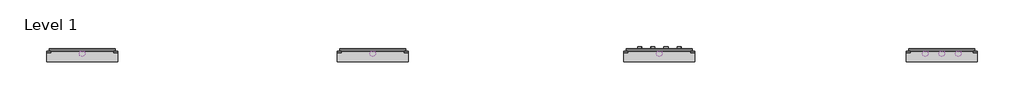
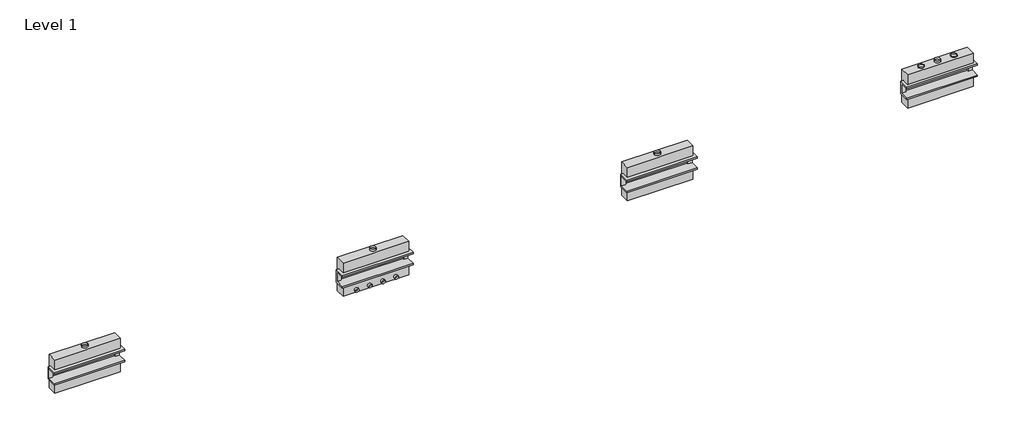
# One storey: 22 proxies.
"""IFC4 building model written with IfcOpenShell, lengths in millimetres."""

import ifcopenshell
import ifcopenshell.guid

model = None  # the IFC model being written
_history = None  # IfcOwnerHistory: only IFC2X3 demands one
_inside = {}  # id of a spatial element -> (the spatial element, [elements in it])
_under = {}  # id of a project, library or spatial element -> (it, [spatial elements below it])
_declared = {}  # id of a project -> (the project, [libraries it declares])
_typed = {}  # id of a type object -> (the type object, [elements of that type])
_made_of = {}  # id of a material, layer set ... -> (it, [elements and type objects made of it])


def new_model(schema):
    """Start an empty IFC model of exactly this schema.

    Asked for "IFC4X3", IfcOpenShell would pick the latest addendum, in which some entities
    have other attributes; the version numbers below select the first issue.
    IFC2X3 requires an IfcOwnerHistory on every rooted entity: one is made here for all.
    """
    global model, _history
    if schema == "IFC4X3":
        model = ifcopenshell.file(schema_version=(4, 3, 0, 0))
    else:
        model = ifcopenshell.file(schema=schema)
    _inside.clear()
    _under.clear()
    _declared.clear()
    _typed.clear()
    _made_of.clear()
    _history = None
    if model.schema == "IFC2X3":
        org = make("IfcOrganization", Name="unknown")
        user = make(
            "IfcPersonAndOrganization",
            ThePerson=make("IfcPerson", FamilyName="unknown"),
            TheOrganization=org,
        )
        app = make(
            "IfcApplication",
            ApplicationDeveloper=org,
            Version="unknown",
            ApplicationFullName="unknown",
            ApplicationIdentifier="unknown",
        )
        _history = make(
            "IfcOwnerHistory",
            OwningUser=user,
            OwningApplication=app,
            ChangeAction="ADDED",
            CreationDate=0,
        )
    return model


def make(cls, **values):
    """One entity of the class cls with the attributes given. An attribute that is None is left unset."""
    return model.create_entity(
        cls, **{name: value for name, value in values.items() if value is not None}
    )


def rooted(cls, **values):
    """An entity with a GlobalId (a new one), such as an element, a storey or a relation."""
    return make(cls, GlobalId=ifcopenshell.guid.new(), OwnerHistory=_history, **values)


def si_unit(unit_type, name, prefix=None):
    """IfcSIUnit, for example si_unit("LENGTHUNIT", "METRE", prefix="MILLI")."""
    return make("IfcSIUnit", UnitType=unit_type, Prefix=prefix, Name=name)


def assignment(units):
    """IfcUnitAssignment: the units of a project."""
    return None if units is None else make("IfcUnitAssignment", Units=units)


def point(xyz):
    """IfcCartesianPoint."""
    return None if xyz is None else make("IfcCartesianPoint", Coordinates=xyz)


def direction(xyz):
    """IfcDirection."""
    return None if xyz is None else make("IfcDirection", DirectionRatios=xyz)


def frame(location, z_axis=None, x_axis=None):
    """IfcAxis2Placement3D, a coordinate frame: its origin and axes. An axis left out is left unset."""
    return make(
        "IfcAxis2Placement3D",
        Location=point(location),
        Axis=direction(z_axis),
        RefDirection=direction(x_axis),
    )


def frame_2d(location, x_axis=None):
    """IfcAxis2Placement2D, a coordinate frame in the plane: its origin and x axis."""
    return make(
        "IfcAxis2Placement2D", Location=point(location), RefDirection=direction(x_axis)
    )


def origin():
    """The frame at (0, 0, 0) with its axes left unset."""
    return frame((0.0, 0.0, 0.0))


def origin_with_axes():
    """The frame at (0, 0, 0) with the z axis (0, 0, 1) and the x axis (1, 0, 0) written out."""
    return frame((0.0, 0.0, 0.0), z_axis=(0.0, 0.0, 1.0), x_axis=(1.0, 0.0, 0.0))


def origin_2d():
    """The frame at (0, 0) in the plane with its x axis left unset."""
    return frame_2d((0.0, 0.0))


def place(relative_to, where):
    """IfcLocalPlacement: puts the frame where relative to a parent placement (None: the world)."""
    return make(
        "IfcLocalPlacement", PlacementRelTo=relative_to, RelativePlacement=where
    )


def context(
    kind, dimensions, precision=None, world=None, true_north=None, identifier=None
):
    """IfcGeometricRepresentationContext, for example the 3D "Model" context."""
    return make(
        "IfcGeometricRepresentationContext",
        ContextIdentifier=identifier,
        ContextType=kind,
        CoordinateSpaceDimension=dimensions,
        Precision=precision,
        WorldCoordinateSystem=world,
        TrueNorth=true_north,
    )


def project(units=None, contexts=None):
    """IfcProject with its units and contexts."""
    return rooted(
        "IfcProject",
        Name="project",
        RepresentationContexts=contexts,
        UnitsInContext=assignment(units),
    )


def spatial(cls, under=None, at=None, **own):
    """A site, building, storey or space (cls), placed at a placement, below another one or the project."""
    s = rooted(cls, ObjectPlacement=at, **own)
    if under is not None:
        _under.setdefault(under.id(), (under, []))[1].append(s)
    return s


def polyline(points):
    """IfcPolyline through the points."""
    return make("IfcPolyline", Points=[point(p) for p in points])


def circle_curve(where, radius):
    """IfcCircle in the frame where."""
    return make("IfcCircle", Position=where, Radius=radius)


def trimmed(basis, trim1, trim2, sense, master):
    """IfcTrimmedCurve: the piece of a basis curve between two trims."""
    return make(
        "IfcTrimmedCurve",
        BasisCurve=basis,
        Trim1=trim1,
        Trim2=trim2,
        SenseAgreement=sense,
        MasterRepresentation=master,
    )


def segment(curve, same_sense, transition):
    """IfcCompositeCurveSegment."""
    return make(
        "IfcCompositeCurveSegment",
        Transition=transition,
        SameSense=same_sense,
        ParentCurve=curve,
    )


def composite_curve(segments, self_intersect=None):
    """IfcCompositeCurve: segments joined end to end."""
    return make("IfcCompositeCurve", Segments=segments, SelfIntersect=self_intersect)


def outline(outer, holes=None, kind="AREA"):
    """IfcArbitraryClosedProfileDef: a profile drawn as a closed curve; with holes, ...WithVoids."""
    if holes is None:
        return make("IfcArbitraryClosedProfileDef", ProfileType=kind, OuterCurve=outer)
    return make(
        "IfcArbitraryProfileDefWithVoids",
        ProfileType=kind,
        OuterCurve=outer,
        InnerCurves=holes,
    )


def extrude(swept, where, along, depth):
    """IfcExtrudedAreaSolid: the profile swept, set in the frame where, extruded along a direction by depth."""
    return make(
        "IfcExtrudedAreaSolid",
        SweptArea=swept,
        Position=where,
        ExtrudedDirection=direction(along),
        Depth=depth,
    )


def faces_of(points, faces, orient=None, outer=None):
    """IfcFace entities. A face is a list of loops; a loop is a list of indices into points, from 0.

    orient and outer hold one flag for each loop. By default every Orientation is true, the
    first loop of a face is its IfcFaceOuterBound and the others are IfcFaceBound.
    """
    made = []
    for i, loops in enumerate(faces):
        bounds = []
        for j, loop in enumerate(loops):
            is_outer = j == 0 if outer is None else outer[i][j]
            bounds.append(
                make(
                    "IfcFaceOuterBound" if is_outer else "IfcFaceBound",
                    Bound=make("IfcPolyLoop", Polygon=[points[k] for k in loop]),
                    Orientation=True if orient is None else orient[i][j],
                )
            )
        made.append(make("IfcFace", Bounds=bounds))
    return made


def faceted_brep(points, faces, orient=None, outer=None, voids=None):
    """IfcFacetedBrep: a solid bounded by flat faces; with voids (closed shells), ...WithVoids."""
    shared = [point(p) for p in points]
    hull = make("IfcClosedShell", CfsFaces=faces_of(shared, faces, orient, outer))
    if voids is None:
        return make("IfcFacetedBrep", Outer=hull)
    return make(
        "IfcFacetedBrepWithVoids",
        Outer=hull,
        Voids=[
            make(cls, CfsFaces=faces_of(shared, fs, o, b)) for cls, fs, o, b in voids
        ],
    )


def shape(context_of_items, identifier, shape_type, items):
    """IfcShapeRepresentation: the items that make up one representation, for example the "Body"."""
    return make(
        "IfcShapeRepresentation",
        ContextOfItems=context_of_items,
        RepresentationIdentifier=identifier,
        RepresentationType=shape_type,
        Items=items,
    )


def source(mapping_origin, context_of_items, identifier, shape_type, items):
    """IfcRepresentationMap: a shape defined once, which mapped items show again and again."""
    return make(
        "IfcRepresentationMap",
        MappingOrigin=mapping_origin,
        MappedRepresentation=shape(context_of_items, identifier, shape_type, items),
    )


def transform(
    local_origin,
    x_axis=None,
    y_axis=None,
    z_axis=None,
    scale=None,
    scale2=None,
    scale3=None,
    uniform=True,
):
    """IfcCartesianTransformationOperator3D, or its non-uniform kind. x_axis, y_axis, z_axis: its Axis1, 2, 3."""
    if uniform:
        return make(
            "IfcCartesianTransformationOperator3D",
            Axis1=direction(x_axis),
            Axis2=direction(y_axis),
            LocalOrigin=point(local_origin),
            Scale=scale,
            Axis3=direction(z_axis),
        )
    return make(
        "IfcCartesianTransformationOperator3DnonUniform",
        Axis1=direction(x_axis),
        Axis2=direction(y_axis),
        LocalOrigin=point(local_origin),
        Scale=scale,
        Axis3=direction(z_axis),
        Scale2=scale2,
        Scale3=scale3,
    )


def mapped(mapping_source, mapping_target):
    """IfcMappedItem: shows the shape of a source again, moved by a transform."""
    return make(
        "IfcMappedItem", MappingSource=mapping_source, MappingTarget=mapping_target
    )


def made_of(thing, what):
    """Note that an element or type object is made of a material, layer set ...; save() writes the relation."""
    if what is not None:
        _made_of.setdefault(what.id(), (what, []))[1].append(thing)
    return thing


def element(
    cls,
    number,
    at=None,
    inside=None,
    cuts=None,
    type_object=None,
    material=None,
    context=None,
    identifier="Body",
    shape_type=None,
    held_by="IfcProductDefinitionShape",
    body=None,
    shapes=None,
    **own,
):
    """One element of the class cls, such as IfcWall. Its Tag is "e" and its number.

    at: its placement. inside: the storey or other place that contains it. cuts: it is an
    opening in that element (IfcRelVoidsElement). A single representation is given by context,
    identifier, shape_type and body (its items); several are given by shapes. held_by: the class
    of the entity that holds the representations. save() writes the other relations.
    """
    e = rooted(cls, Tag="e%d" % number, ObjectPlacement=at, **own)
    if body is not None:
        shapes = [shape(context, identifier, shape_type, body)]
    if shapes is not None:
        e.Representation = make(held_by, Representations=shapes)
    if inside is not None:
        _inside.setdefault(inside.id(), (inside, []))[1].append(e)
    if cuts is not None:
        rooted(
            "IfcRelVoidsElement", RelatingBuildingElement=cuts, RelatedOpeningElement=e
        )
    if type_object is not None:
        _typed.setdefault(type_object.id(), (type_object, []))[1].append(e)
    return made_of(e, material)


def aggregate(whole, parts):
    """IfcRelAggregates: a whole, such as a stair, and the parts it consists of."""
    return rooted("IfcRelAggregates", RelatingObject=whole, RelatedObjects=parts)


def save(model, path):
    """Write the relations noted so far, then the file.

    IfcRelAggregates (storeys below a building ...), IfcRelContainedInSpatialStructure (elements
    in a storey), IfcRelDefinesByType, IfcRelAssociatesMaterial and IfcRelDeclares: one each for
    every whole, place, type object, material and project.
    """
    for whole, parts in _under.values():
        aggregate(whole, parts)
    for where, things in _inside.values():
        rooted(
            "IfcRelContainedInSpatialStructure",
            RelatedElements=things,
            RelatingStructure=where,
        )
    for kind, things in _typed.values():
        rooted("IfcRelDefinesByType", RelatedObjects=things, RelatingType=kind)
    for what, things in _made_of.values():
        rooted("IfcRelAssociatesMaterial", RelatedObjects=things, RelatingMaterial=what)
    for by, libraries in _declared.values():
        rooted("IfcRelDeclares", RelatingContext=by, RelatedDefinitions=libraries)
    model.write(path)


def as_specified_cabdd04f(model_context):
    return source(origin(), model_context, "Body", "SolidModel", [
        faceted_brep([(-1765.3, 285.75, 139.7), (-1765.3, 361.95, 139.7), (-1765.3, 361.95, -393.7), (-1765.3, -298.45, -393.7), (-1765.3, -298.45, 139.7), (-1765.3, -222.25, 139.7), (-1765.3, -222.25, -317.5), (-1765.3, 285.75, -317.5), (1765.3, 285.75, 139.7), (1765.3, 285.75, -317.5), (1765.3, -222.25, -317.5), (1765.3, -222.25, 139.7), (1765.3, -298.45, 139.7), (1765.3, -298.45, -393.7), (1765.3, 361.95, -393.7), (1765.3, 361.95, 139.7), (1562.1, -222.25, -393.7), (1562.1, 285.75, -393.7), (-1562.1, 285.75, -393.7), (-1562.1, -222.25, -393.7), (1562.1, -222.25, -317.5), (-1562.1, -222.25, -317.5), (-1562.1, 285.75, -317.5), (1562.1, 285.75, -317.5)], [[[0, 1, 2, 3, 4, 5, 6, 7]], [[8, 9, 10, 11, 12, 13, 14, 15]], [[1, 0, 8, 15]], [[2, 1, 15, 14]], [[3, 2, 14, 13], [16, 17, 18, 19]], [[4, 3, 13, 12]], [[5, 4, 12, 11]], [[6, 5, 11, 10, 20, 16, 19, 21]], [[7, 6, 21, 22]], [[10, 9, 23, 20]], [[0, 7, 22, 18, 17, 23, 9, 8]], [[16, 20, 23, 17]], [[21, 19, 18, 22]]]),
        extrude(outline(polyline([(882.65, -25.4), (882.65, -523.9742188), (-882.65, -523.9742188), (-882.65, -25.4), (-298.45, -25.4), (-298.45, -393.7), (361.95, -393.7), (361.95, -25.4), (882.65, -25.4)])), frame((-1638.3, 0.0, 0.0), z_axis=(1.0, 0.0, 0.0), x_axis=(0.0, 1.0, 0.0)), (0.0, 0.0, 1.0), 3276.6),
    ])


def duct_dia_864372f9(model_context):
    return source(origin(), model_context, "Body", "SweptSolid", [
        extrude(outline(composite_curve([segment(trimmed(circle_curve(origin_2d(), 150.8621094), [point((-150.8621094, 0.0))], [point((150.8621094, 0.0))], False, "CARTESIAN"), True, "CONTINUOUS"), segment(trimmed(circle_curve(origin_2d(), 150.8621094), [point((150.8621094, 0.0))], [point((-150.8621094, 0.0))], False, "CARTESIAN"), True, "CONTINUOUS")], self_intersect=False), holes=[composite_curve([segment(trimmed(circle_curve(origin_2d(), 149.2746094), [point((-149.2746094, 0.0))], [point((149.2746094, 0.0))], True, "CARTESIAN"), True, "CONTINUOUS"), segment(trimmed(circle_curve(origin_2d(), 149.2746094), [point((149.2746094, 0.0))], [point((-149.2746094, 0.0))], True, "CARTESIAN"), True, "CONTINUOUS")], self_intersect=False)]), origin_with_axes(), (0.0, 0.0, 1.0), 50.8),
    ])


def proxy_814ff0a6(model_context):
    return source(origin(), model_context, "Body", "SweptSolid", [
        extrude(outline(composite_curve([segment(trimmed(circle_curve(origin_2d(), 149.225), [point((-149.225, 0.0))], [point((149.225, 0.0))], False, "CARTESIAN"), True, "CONTINUOUS"), segment(trimmed(circle_curve(origin_2d(), 149.225), [point((149.225, 0.0))], [point((-149.225, 0.0))], False, "CARTESIAN"), True, "CONTINUOUS")], self_intersect=False), holes=[composite_curve([segment(trimmed(circle_curve(origin_2d(), 147.6375), [point((-147.6375, 0.0))], [point((147.6375, 0.0))], True, "CARTESIAN"), True, "CONTINUOUS"), segment(trimmed(circle_curve(origin_2d(), 147.6375), [point((147.6375, 0.0))], [point((-147.6375, 0.0))], True, "CARTESIAN"), True, "CONTINUOUS")], self_intersect=False)]), origin_with_axes(), (0.0, 0.0, 1.0), 101.6),
    ])


def proxy_5643af6b(model_context):
    return source(origin(), model_context, "Body", "SweptSolid", [
        extrude(outline(composite_curve([segment(trimmed(circle_curve(origin_2d(), 100.0125), [point((-100.0125, 0.0))], [point((100.0125, 0.0))], False, "CARTESIAN"), True, "CONTINUOUS"), segment(trimmed(circle_curve(origin_2d(), 100.0125), [point((100.0125, 0.0))], [point((-100.0125, 0.0))], False, "CARTESIAN"), True, "CONTINUOUS")], self_intersect=False), holes=[composite_curve([segment(trimmed(circle_curve(origin_2d(), 98.425), [point((-98.425, 0.0))], [point((98.425, 0.0))], True, "CARTESIAN"), True, "CONTINUOUS"), segment(trimmed(circle_curve(origin_2d(), 98.425), [point((98.425, 0.0))], [point((-98.425, 0.0))], True, "CARTESIAN"), True, "CONTINUOUS")], self_intersect=False)]), origin_with_axes(), (0.0, 0.0, 1.0), 101.6),
    ])


def proxy_c1ba4f62(model_context):
    return source(origin(), model_context, "Body", "SweptSolid", [
        extrude(outline(composite_curve([segment(trimmed(circle_curve(origin_2d(), 103.1875), [point((-103.1875, 0.0))], [point((103.1875, 0.0))], False, "CARTESIAN"), True, "CONTINUOUS"), segment(trimmed(circle_curve(origin_2d(), 103.1875), [point((103.1875, 0.0))], [point((-103.1875, 0.0))], False, "CARTESIAN"), True, "CONTINUOUS")], self_intersect=False), holes=[composite_curve([segment(trimmed(circle_curve(origin_2d(), 101.6), [point((-101.6, 0.0))], [point((101.6, 0.0))], True, "CARTESIAN"), True, "CONTINUOUS"), segment(trimmed(circle_curve(origin_2d(), 101.6), [point((101.6, 0.0))], [point((-101.6, 0.0))], True, "CARTESIAN"), True, "CONTINUOUS")], self_intersect=False)]), origin_with_axes(), (0.0, 0.0, 1.0), 6.35),
    ])


model = new_model("IFC4")

# Units and contexts
model_context = context("Model", 3, world=origin())
ifc_project = project(units=[si_unit("LENGTHUNIT", "METRE", prefix="MILLI")], contexts=[model_context])

# Site, building, storey
site = spatial("IfcSite", under=ifc_project)
building = spatial("IfcBuilding", under=site)
storey = spatial("IfcBuildingStorey", under=building, Name="Level 1", Elevation=0.0)

# Proxies
placement = place(None, origin())
as_specified_shape = as_specified_cabdd04f(model_context)
element("IfcBuildingElementProxy", 1, Name="As Specified", ObjectType="As Specified", at=placement, inside=storey, context=model_context, shape_type="MappedRepresentation", body=[
    mapped(as_specified_shape, transform((14791.2574402, 1616.7712992, 1219.2), x_axis=(1.0, 0.0, 0.0), y_axis=(0.0, 0.0, 1.0), z_axis=(0.0, -1.0, 0.0))),
])
element("IfcBuildingElementProxy", 2, Name="As Specified", ObjectType="As Specified", at=placement, inside=storey, context=model_context, shape_type="MappedRepresentation", body=[
    mapped(as_specified_shape, transform((28812.0574402, 1616.7712992, 1219.2), x_axis=(1.0, 0.0, 0.0), y_axis=(0.0, 0.0, 1.0), z_axis=(0.0, -1.0, 0.0))),
])
element("IfcBuildingElementProxy", 3, Name="As Specified", ObjectType="As Specified", at=placement, inside=storey, context=model_context, shape_type="MappedRepresentation", body=[
    mapped(as_specified_shape, transform((-13859.9425598, 1616.7712992, 1066.8), x_axis=(1.0, 0.0, 0.0), y_axis=(0.0, 0.0, 1.0), z_axis=(0.0, -1.0, 0.0))),
])
element("IfcBuildingElementProxy", 4, Name="As Specified", ObjectType="As Specified", at=placement, inside=storey, context=model_context, shape_type="MappedRepresentation", body=[
    mapped(as_specified_shape, transform((565.6597121, 1616.7712992, 1144.6311604), x_axis=(1.0, 0.0, 0.0), y_axis=(0.0, 0.0, 1.0), z_axis=(0.0, -1.0, 0.0))),
])
duct_dia_shape = duct_dia_864372f9(model_context)
element("IfcBuildingElementProxy", 5, Name="Duct Dia", ObjectType="Duct Dia", at=placement, inside=storey, context=model_context, shape_type="MappedRepresentation", body=[
    mapped(duct_dia_shape, transform((27992.9074402, 1891.4584086, 2101.85), x_axis=(1.0, 0.0, 0.0), y_axis=(0.0, 1.0, 0.0), z_axis=(0.0, 0.0, 1.0))),
])
element("IfcBuildingElementProxy", 6, Name="Duct Dia", ObjectType="Duct Dia", at=placement, inside=storey, context=model_context, shape_type="MappedRepresentation", body=[
    mapped(duct_dia_shape, transform((29631.2074402, 1891.4584086, 2101.85), x_axis=(1.0, 0.0, 0.0), y_axis=(0.0, 1.0, 0.0), z_axis=(0.0, 0.0, 1.0))),
])
proxy_shape = proxy_814ff0a6(model_context)
element("IfcBuildingElementProxy", 7, Name="Duct Dia : 11 3/4\" Dia", ObjectType="Duct Dia : 11 3/4\" Dia", at=placement, inside=storey, context=model_context, shape_type="MappedRepresentation", body=[
    mapped(proxy_shape, transform((-13859.9425598, 1891.4584086, 1949.45), x_axis=(1.0, 0.0, 0.0), y_axis=(0.0, 1.0, 0.0), z_axis=(0.0, 0.0, 1.0))),
])
element("IfcBuildingElementProxy", 8, Name="Duct Dia : 11 3/4\" Dia", ObjectType="Duct Dia : 11 3/4\" Dia", at=placement, inside=storey, context=model_context, shape_type="MappedRepresentation", body=[
    mapped(proxy_shape, transform((565.6597121, 1891.4584086, 2027.2811604), x_axis=(1.0, 0.0, 0.0), y_axis=(0.0, 1.0, 0.0), z_axis=(0.0, 0.0, 1.0))),
])
element("IfcBuildingElementProxy", 9, Name="Duct Dia : 11 3/4\" Dia", ObjectType="Duct Dia : 11 3/4\" Dia", at=placement, inside=storey, context=model_context, shape_type="MappedRepresentation", body=[
    mapped(proxy_shape, transform((14791.2574402, 1891.4584086, 2101.85), x_axis=(1.0, 0.0, 0.0), y_axis=(0.0, 1.0, 0.0), z_axis=(0.0, 0.0, 1.0))),
])
element("IfcBuildingElementProxy", 10, Name="Duct Dia : 11 3/4\" Dia", ObjectType="Duct Dia : 11 3/4\" Dia", at=placement, inside=storey, context=model_context, shape_type="MappedRepresentation", body=[
    mapped(proxy_shape, transform((28812.0574402, 1891.4584086, 2101.85), x_axis=(1.0, 0.0, 0.0), y_axis=(0.0, 1.0, 0.0), z_axis=(0.0, 0.0, 1.0))),
])
proxy_2_shape = proxy_5643af6b(model_context)
element("IfcBuildingElementProxy", 11, Name="Duct Dia : 7 7/8\" Dia", ObjectType="Duct Dia : 7 7/8\" Dia", at=placement, inside=storey, context=model_context, shape_type="MappedRepresentation", body=[
    mapped(proxy_2_shape, transform((893.3197121, 1642.1712992, 414.3811604), x_axis=(1.0, 0.0, 0.0), y_axis=(0.0, 0.0, 1.0), z_axis=(0.0, -1.0, 0.0))),
])
element("IfcBuildingElementProxy", 12, Name="Duct Dia : 7 7/8\" Dia", ObjectType="Duct Dia : 7 7/8\" Dia", at=placement, inside=storey, context=model_context, shape_type="MappedRepresentation", body=[
    mapped(proxy_2_shape, transform((1548.6397121, 1642.1712992, 414.3811604), x_axis=(1.0, 0.0, 0.0), y_axis=(0.0, 0.0, 1.0), z_axis=(0.0, -1.0, 0.0))),
])
element("IfcBuildingElementProxy", 13, Name="Duct Dia : 7 7/8\" Dia", ObjectType="Duct Dia : 7 7/8\" Dia", at=placement, inside=storey, context=model_context, shape_type="MappedRepresentation", body=[
    mapped(proxy_2_shape, transform((237.9997121, 1642.1712992, 414.3811604), x_axis=(1.0, 0.0, 0.0), y_axis=(0.0, 0.0, 1.0), z_axis=(0.0, -1.0, 0.0))),
])
element("IfcBuildingElementProxy", 14, Name="Duct Dia : 7 7/8\" Dia", ObjectType="Duct Dia : 7 7/8\" Dia", at=placement, inside=storey, context=model_context, shape_type="MappedRepresentation", body=[
    mapped(proxy_2_shape, transform((-417.3202879, 1642.1712992, 414.3811604), x_axis=(1.0, 0.0, 0.0), y_axis=(0.0, 0.0, 1.0), z_axis=(0.0, -1.0, 0.0))),
])
element("IfcBuildingElementProxy", 15, Name="Duct Dia : 7 7/8\" Dia", ObjectType="Duct Dia : 7 7/8\" Dia", at=placement, inside=storey, context=model_context, shape_type="MappedRepresentation", body=[
    mapped(proxy_2_shape, transform((15118.9174402, 2140.745518, 488.95), x_axis=(1.0, 0.0, 0.0), y_axis=(0.0, 0.0, -1.0), z_axis=(0.0, 1.0, 0.0))),
])
element("IfcBuildingElementProxy", 16, Name="Duct Dia : 7 7/8\" Dia", ObjectType="Duct Dia : 7 7/8\" Dia", at=placement, inside=storey, context=model_context, shape_type="MappedRepresentation", body=[
    mapped(proxy_2_shape, transform((15774.2374402, 2140.745518, 488.95), x_axis=(1.0, 0.0, 0.0), y_axis=(0.0, 0.0, -1.0), z_axis=(0.0, 1.0, 0.0))),
])
element("IfcBuildingElementProxy", 17, Name="Duct Dia : 7 7/8\" Dia", ObjectType="Duct Dia : 7 7/8\" Dia", at=placement, inside=storey, context=model_context, shape_type="MappedRepresentation", body=[
    mapped(proxy_2_shape, transform((14463.5974402, 2140.745518, 488.95), x_axis=(1.0, 0.0, 0.0), y_axis=(0.0, 0.0, -1.0), z_axis=(0.0, 1.0, 0.0))),
])
element("IfcBuildingElementProxy", 18, Name="Duct Dia : 7 7/8\" Dia", ObjectType="Duct Dia : 7 7/8\" Dia", at=placement, inside=storey, context=model_context, shape_type="MappedRepresentation", body=[
    mapped(proxy_2_shape, transform((13808.2774402, 2140.745518, 488.95), x_axis=(1.0, 0.0, 0.0), y_axis=(0.0, 0.0, -1.0), z_axis=(0.0, 1.0, 0.0))),
])
proxy_3_shape = proxy_c1ba4f62(model_context)
element("IfcBuildingElementProxy", 19, Name="Duct Dia : 8 1/8\" Dia", ObjectType="Duct Dia : 8 1/8\" Dia", at=placement, inside=storey, context=model_context, shape_type="MappedRepresentation", body=[
    mapped(proxy_3_shape, transform((-13532.2825598, 1891.4584086, 184.15), x_axis=(-1.0, 0.0, 0.0), y_axis=(0.0, 1.0, 0.0), z_axis=(0.0, 0.0, -1.0))),
])
element("IfcBuildingElementProxy", 20, Name="Duct Dia : 8 1/8\" Dia", ObjectType="Duct Dia : 8 1/8\" Dia", at=placement, inside=storey, context=model_context, shape_type="MappedRepresentation", body=[
    mapped(proxy_3_shape, transform((-14842.9225598, 1891.4584086, 184.15), x_axis=(-1.0, 0.0, 0.0), y_axis=(0.0, 1.0, 0.0), z_axis=(0.0, 0.0, -1.0))),
])
element("IfcBuildingElementProxy", 21, Name="Duct Dia : 8 1/8\" Dia", ObjectType="Duct Dia : 8 1/8\" Dia", at=placement, inside=storey, context=model_context, shape_type="MappedRepresentation", body=[
    mapped(proxy_3_shape, transform((-14187.6025598, 1891.4584086, 184.15), x_axis=(-1.0, 0.0, 0.0), y_axis=(0.0, 1.0, 0.0), z_axis=(0.0, 0.0, -1.0))),
])
element("IfcBuildingElementProxy", 22, Name="Duct Dia : 8 1/8\" Dia", ObjectType="Duct Dia : 8 1/8\" Dia", at=placement, inside=storey, context=model_context, shape_type="MappedRepresentation", body=[
    mapped(proxy_3_shape, transform((-12876.9625598, 1891.4584086, 184.15), x_axis=(1.0, 0.0, 0.0), y_axis=(0.0, -1.0, 0.0), z_axis=(0.0, 0.0, -1.0))),
])

save(model, "model.ifc")
